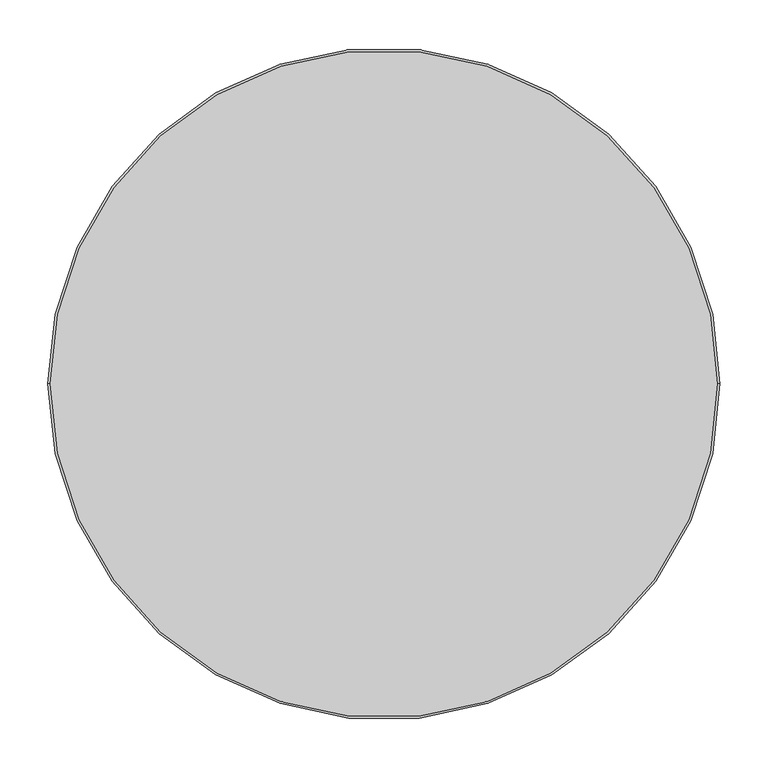
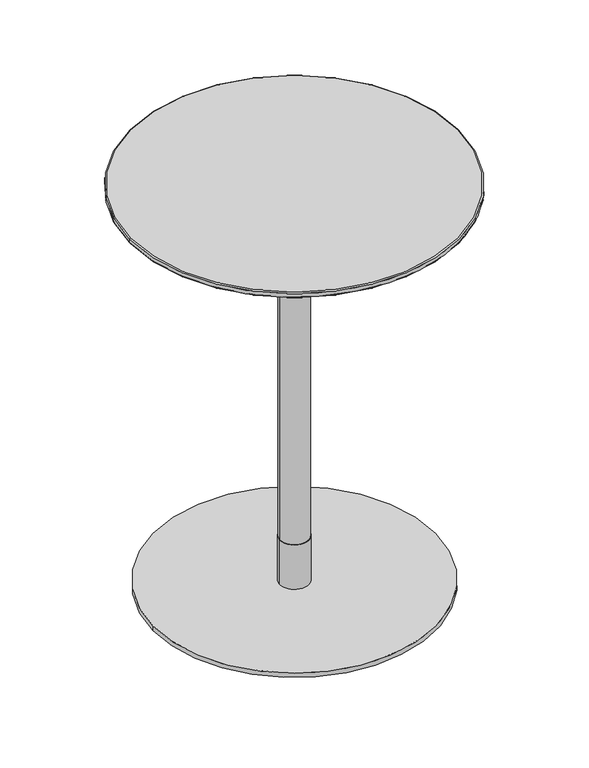
"""IFC4 building model written with IfcOpenShell, lengths in millimetres: furniture geometry."""

from ifc_helpers import new_model, si_unit, point, frame, origin, origin_with_axes, origin_2d, place, context, project, spatial, polyline, circle_curve, ellipse_curve, trimmed, segment, composite_curve, outline, extrude, source, transform, mapped, element, save
from ifc_brep_helpers import plane_surface, cylinder_surface, revolved_surface, advanced_brep


def furniture_8cc9b91a(model_context):
    return source(origin(), model_context, "Body", "SolidModel", [
        advanced_brep(
        [(348.6840403, 0.0, 888.2400004), (350.0, 0.0, 890.1193857), (-350.0, 0.0, 890.1193857), (-348.6840403, 0.0, 888.2400004), (350.0, 0.0, 898.0), (348.0, 0.0, 900.0), (-348.0, 0.0, 900.0), (-350.0, 0.0, 898.0)],
        [
            (0, 1, circle_curve(frame((348.0, 0.0, 890.1193857), z_axis=(0.0, -1.0, 0.0), x_axis=(-1.0, 0.0, 0.0)), 2.0)),
            (1, 2, circle_curve(frame((0.0, 0.0, 890.1193857), z_axis=(0.0, 0.0, -1.0), x_axis=(-1.0, 0.0, 0.0)), 350.0)),
            (2, 3, circle_curve(frame((-348.0, 0.0, 890.1193857), z_axis=(0.0, -1.0, 0.0), x_axis=(1.0, 0.0, 0.0)), 2.0)),
            (3, 0, circle_curve(frame((0.0, 0.0, 888.2400004), z_axis=(0.0, 0.0, 1.0), x_axis=(-1.0, 0.0, 0.0)), 348.6840403)),
            (4, 5, circle_curve(frame((348.0, 0.0, 898.0), z_axis=(0.0, -1.0, 0.0), x_axis=(-1.0, 0.0, 0.0)), 2.0)),
            (5, 6, circle_curve(frame((0.0, 0.0, 900.0), z_axis=(0.0, 0.0, -1.0), x_axis=(-1.0, 0.0, 0.0)), 348.0)),
            (6, 7, circle_curve(frame((-348.0, 0.0, 898.0), z_axis=(0.0, -1.0, 0.0), x_axis=(1.0, 0.0, 0.0)), 2.0)),
            (7, 4, circle_curve(frame((0.0, 0.0, 898.0), z_axis=(0.0, 0.0, 1.0), x_axis=(-1.0, 0.0, 0.0)), 350.0)),
            (0, 3, circle_curve(frame((0.0, 0.0, 888.2400004), z_axis=(0.0, 0.0, 1.0), x_axis=(1.0, 0.0, 0.0)), 348.6840403)),
            (2, 1, circle_curve(frame((0.0, 0.0, 890.1193857), z_axis=(0.0, 0.0, -1.0), x_axis=(1.0, 0.0, 0.0)), 350.0)),
            (4, 7, circle_curve(frame((0.0, 0.0, 898.0), z_axis=(0.0, 0.0, 1.0), x_axis=(1.0, 0.0, 0.0)), 350.0)),
            (6, 5, circle_curve(frame((0.0, 0.0, 900.0), z_axis=(0.0, 0.0, -1.0), x_axis=(1.0, 0.0, 0.0)), 348.0)),
            (7, 2),
            (1, 4),
        ],
        [
            revolved_surface(trimmed(ellipse_curve(frame((-348.0, 0.0, 890.1193857), z_axis=(0.0, 1.0, 0.0), x_axis=(1.0, 0.0, 0.0)), 2.0, 2.0), [point((-348.6840403, 0.0, 888.2400004))], [point((-350.0, 0.0, 890.1193857))], True, "CARTESIAN"), (0.0, 0.0, 0.0), (0.0, 0.0, 1.0)),
            revolved_surface(trimmed(ellipse_curve(frame((-348.0, 0.0, 898.0), z_axis=(0.0, 1.0, 0.0), x_axis=(1.0, 0.0, 0.0)), 2.0, 2.0), [point((-350.0, 0.0, 898.0))], [point((-348.0, 0.0, 900.0))], True, "CARTESIAN"), (0.0, 0.0, 0.0), (0.0, 0.0, 1.0)),
            revolved_surface(trimmed(ellipse_curve(frame((348.0, 0.0, 890.1193857), z_axis=(0.0, -1.0, 0.0), x_axis=(-1.0, 0.0, 0.0)), 2.0, 2.0), [point((348.6840403, 0.0, 888.2400004))], [point((350.0, 0.0, 890.1193857))], True, "CARTESIAN"), (0.0, 0.0, 0.0), (0.0, 0.0, 1.0)),
            revolved_surface(trimmed(ellipse_curve(frame((348.0, 0.0, 898.0), z_axis=(0.0, -1.0, 0.0), x_axis=(-1.0, 0.0, 0.0)), 2.0, 2.0), [point((350.0, 0.0, 898.0))], [point((348.0, 0.0, 900.0))], True, "CARTESIAN"), (0.0, 0.0, 0.0), (0.0, 0.0, 1.0)),
            plane_surface(frame((350.0, 0.0, 900.0), z_axis=(0.0, 0.0, 1.0), x_axis=(0.0, 1.0, 0.0))),
            plane_surface(frame((350.0, 0.0, 888.2400004), z_axis=(0.0, 0.0, -1.0), x_axis=(0.0, -1.0, 0.0))),
            cylinder_surface(frame((0.0, 0.0, 888.2400004), z_axis=(0.0, 0.0, 1.0), x_axis=(1.0, 0.0, 0.0)), 350.0),
        ],
        [
            (0, [[1, 2, 3, 4]]),
            (1, [[5, 6, 7, 8]]),
            (2, [[-1, 9, -3, 10]]),
            (3, [[-5, 11, -7, 12]]),
            (4, [[-6, -12]]),
            (5, [[-4, -9]]),
            (6, [[13, -2, 14, -8]]),
            (6, [[-13, -11, -14, -10]]),
        ],
    ),
        advanced_brep(
        [(-348.6840403, 0.0, 888.2400004), (348.6840403, 0.0, 888.2400004), (-300.0, 0.0, 877.7932619), (300.0, 0.0, 877.7932619)],
        [
            (0, 1, circle_curve(frame((0.0, 0.0, 888.2400004), z_axis=(0.0, 0.0, 1.0), x_axis=(-1.0, 0.0, 0.0)), 348.6840403)),
            (1, 0, circle_curve(frame((0.0, 0.0, 888.2400004), z_axis=(0.0, 0.0, 1.0), x_axis=(1.0, 0.0, 0.0)), 348.6840403)),
            (2, 3, circle_curve(frame((0.0, 0.0, 877.7932619), z_axis=(0.0, 0.0, -1.0), x_axis=(1.0, 0.0, 0.0)), 300.0)),
            (3, 2, circle_curve(frame((0.0, 0.0, 877.7932619), z_axis=(0.0, 0.0, -1.0), x_axis=(-1.0, 0.0, 0.0)), 300.0)),
            (3, 1),
            (0, 2),
        ],
        [
            plane_surface(frame((0.0, 0.0, 888.2400004), z_axis=(0.0, 0.0, 1.0), x_axis=(0.0, -1.0, 0.0))),
            plane_surface(frame((0.0, 0.0, 877.7932619), z_axis=(0.0, 0.0, -1.0), x_axis=(0.0, -1.0, 0.0))),
            revolved_surface(polyline([(299.9999998753789, 0.0, 877.7932619), (348.6840403, 0.0, 888.2400004)]), (0.0, 0.0, 813.4185403), (0.0, 0.0, 1.0)),
            revolved_surface(polyline([(-299.9999998753789, 0.0, 877.7932619), (-348.6840403, 0.0, 888.2400004)]), (0.0, 0.0, 813.4185403), (0.0, 0.0, 1.0)),
        ],
        [
            (0, [[1, 2]]),
            (1, [[3, 4]]),
            (2, [[-4, 5, -1, 6]]),
            (3, [[-3, -6, -2, -5]]),
        ],
    ),
        extrude(outline(polyline([(175.0000945, 174.9403258), (175.0000945, -175.0598632), (-175.0000945, -175.0598632), (-175.0000945, 174.9403258), (175.0000945, 174.9403258)])), frame((0.0, 0.0, 872.7932592), z_axis=(0.0, 0.0, 1.0), x_axis=(1.0, 0.0, 0.0)), (0.0, 0.0, 1.0), 5.0000027),
        extrude(outline(composite_curve([segment(trimmed(circle_curve(origin_2d(), 31.0), [point((-31.0, 0.0))], [point((31.0, 0.0))], False, "CARTESIAN"), True, "CONTINUOUS"), segment(trimmed(circle_curve(origin_2d(), 31.0), [point((31.0, 0.0))], [point((-31.0, 0.0))], False, "CARTESIAN"), True, "CONTINUOUS")], self_intersect=False)), frame((0.0, 0.0, 772.7932663), z_axis=(0.0, 0.0, 1.0), x_axis=(1.0, 0.0, 0.0)), (0.0, 0.0, 1.0), 99.999993),
        extrude(outline(composite_curve([segment(trimmed(circle_curve(origin_2d(), 30.0), [point((-30.0, 0.0))], [point((30.0, 0.0))], False, "CARTESIAN"), True, "CONTINUOUS"), segment(trimmed(circle_curve(origin_2d(), 30.0), [point((30.0, 0.0))], [point((-30.0, 0.0))], False, "CARTESIAN"), True, "CONTINUOUS")], self_intersect=False)), frame((0.0, 0.0, 110.0016526), z_axis=(0.0, 0.0, 1.0), x_axis=(1.0, 0.0, 0.0)), (0.0, 0.0, 1.0), 662.7916137),
        extrude(outline(composite_curve([segment(trimmed(circle_curve(origin_2d(), 31.0), [point((-31.0, 0.0))], [point((31.0, 0.0))], False, "CARTESIAN"), True, "CONTINUOUS"), segment(trimmed(circle_curve(origin_2d(), 31.0), [point((31.0, 0.0))], [point((-31.0, 0.0))], False, "CARTESIAN"), True, "CONTINUOUS")], self_intersect=False)), frame((0.0, 0.0, 10.0000044), z_axis=(0.0, 0.0, 1.0), x_axis=(1.0, 0.0, 0.0)), (0.0, 0.0, 1.0), 100.0016481),
        extrude(outline(composite_curve([segment(trimmed(circle_curve(origin_2d(), 300.0), [point((-300.0, 0.0))], [point((300.0, 0.0))], False, "CARTESIAN"), True, "CONTINUOUS"), segment(trimmed(circle_curve(origin_2d(), 300.0), [point((300.0, 0.0))], [point((-300.0, 0.0))], False, "CARTESIAN"), True, "CONTINUOUS")], self_intersect=False)), origin_with_axes(), (0.0, 0.0, 1.0), 10.0000044),
    ])


if __name__ == "__main__":
    model = new_model("IFC4")
    model_context = context("Model", 3, world=origin())
    ifc_project = project(units=[si_unit("LENGTHUNIT", "METRE", prefix="MILLI")], contexts=[model_context])
    site = spatial("IfcSite", under=ifc_project)
    building = spatial("IfcBuilding", under=site)
    placement = place(None, origin())
    furniture_shape = furniture_8cc9b91a(model_context)
    element("IfcFurniture", 1, at=placement, inside=building, context=model_context, shape_type="MappedRepresentation", body=[
        mapped(furniture_shape, transform((0.0, 0.0, 0.0), x_axis=(1.0, 0.0, 0.0), y_axis=(0.0, 1.0, 0.0), z_axis=(0.0, 0.0, 1.0))),
    ])
    save(model, "model.ifc")
